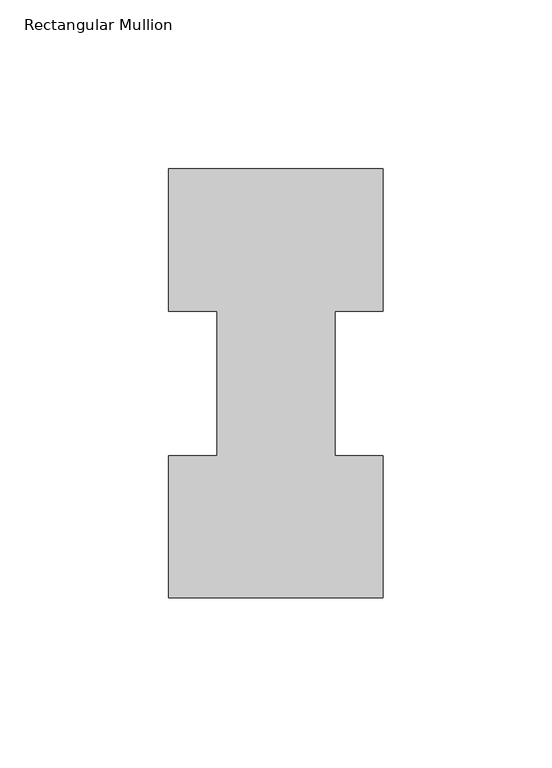
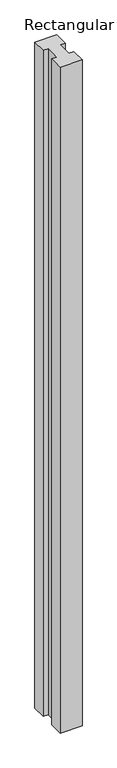
"""IFC4 building model written with IfcOpenShell, lengths in millimetres: member geometry, Rectangular Mullion."""

from ifc_helpers import new_model, si_unit, frame, origin, place, context, project, spatial, polyline, outline, extrude, source, transform, mapped, element, save


def rectangular_mullion_52823d89(model_context):
    return source(origin(), model_context, "Body", "SweptSolid", [
        extrude(outline(polyline([(-31.75, 127.00635), (31.75, 127.00635), (31.75, 84.93125), (17.4625, 84.93125), (17.4625, 42.08145), (31.75, 42.08145), (31.75, 0.00635), (-31.75, 0.00635), (-31.75, 42.08145), (-17.4625, 42.08145), (-17.4625, 84.93125), (-31.75, 84.93125), (-31.75, 127.00635)])), frame((0.0, 0.0, -2044.7227299), z_axis=(0.0, 0.0, 1.0), x_axis=(1.0, 0.0, 0.0)), (0.0, 0.0, 1.0), 2044.7227299),
    ])


if __name__ == "__main__":
    model = new_model("IFC4")
    model_context = context("Model", 3, world=origin())
    ifc_project = project(units=[si_unit("LENGTHUNIT", "METRE", prefix="MILLI")], contexts=[model_context])
    site = spatial("IfcSite", under=ifc_project)
    building = spatial("IfcBuilding", under=site)
    placement = place(None, origin())
    rectangular_mullion_shape = rectangular_mullion_52823d89(model_context)
    element("IfcMember", 1, ObjectType="Rectangular Mullion", at=placement, inside=building, context=model_context, shape_type="MappedRepresentation", body=[
        mapped(rectangular_mullion_shape, transform((0.0, 0.0, 0.0), x_axis=(1.0, 0.0, 0.0), y_axis=(0.0, 1.0, 0.0), z_axis=(0.0, 0.0, 1.0))),
    ])
    save(model, "model.ifc")
